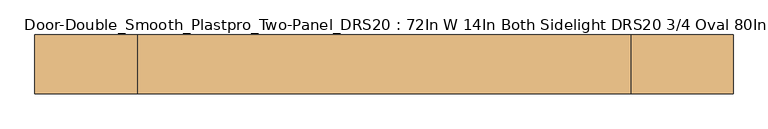
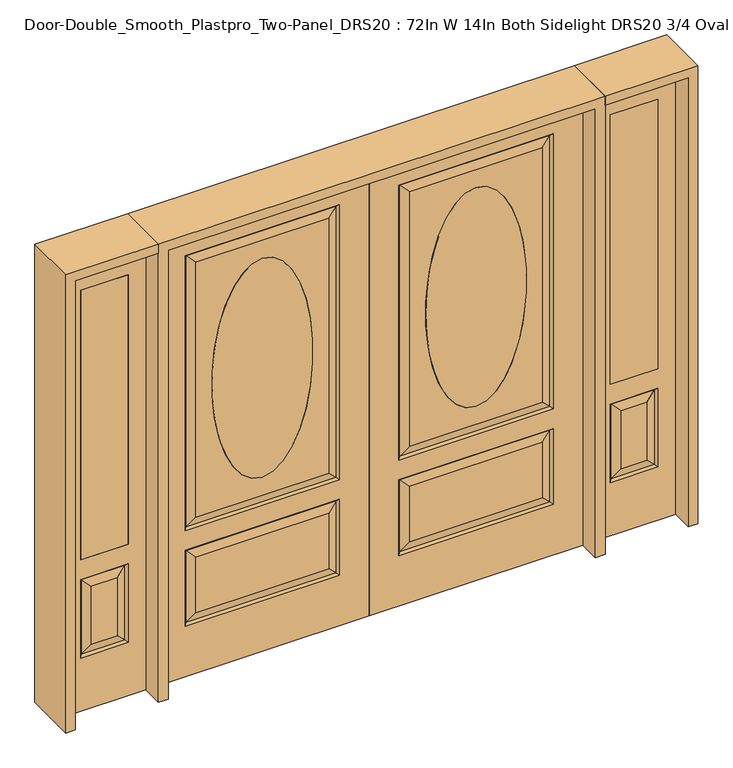
"""IFC4 building model written with IfcOpenShell, lengths in millimetres: door geometry, Door-Double_Smooth_Plastpro_Two-Panel_DRS20 : 72In W 14In Both Sidelight DRS20 3/4 Oval 80In - Smooth."""

from ifc_helpers import new_model, si_unit, point, frame, origin, place, context, project, spatial, polyline, ellipse_curve, trimmed, outline, extrude, faceted_brep, source, transform, mapped, element, save
from ifc_brep_helpers import plane_surface, extruded_surface, advanced_brep


def door_double_smooth_plastpro_two_panel_drs20_72in_w_14in_both_ea20a495(model_context):
    return source(origin(), model_context, "Body", "SolidModel", [
        advanced_brep(
        [(-457.2, 20.6375, 1778.0), (-457.2, 20.6375, 787.4), (-457.2, -20.6375, 1778.0), (-457.2, -20.6375, 787.4)],
        [
            (0, 1, ellipse_curve(frame((-457.2, 20.6375, 1282.7), z_axis=(0.0, 1.0, 0.0), x_axis=(0.0, 0.0, -1.0)), 495.3, 215.9)),
            (1, 0, ellipse_curve(frame((-457.2, 20.6375, 1282.7), z_axis=(0.0, 1.0, 0.0), x_axis=(0.0, 0.0, -1.0)), 495.3, 215.9)),
            (2, 3, ellipse_curve(frame((-457.2, -20.6375, 1282.7), z_axis=(0.0, -1.0, 0.0), x_axis=(0.0, 0.0, -1.0)), 495.3, 215.9)),
            (3, 2, ellipse_curve(frame((-457.2, -20.6375, 1282.7), z_axis=(0.0, -1.0, 0.0), x_axis=(0.0, 0.0, -1.0)), 495.3, 215.9)),
            (3, 1),
            (0, 2),
        ],
        [
            plane_surface(frame((-457.2, 20.6375, 787.4), z_axis=(0.0, 1.0, 0.0), x_axis=(1.0, 0.0, 0.0))),
            plane_surface(frame((-457.2, -20.6375, 787.4), z_axis=(0.0, -1.0, 0.0), x_axis=(-1.0, 0.0, 0.0))),
            extruded_surface(trimmed(ellipse_curve(frame((-457.2, 20.6375, 1282.7), z_axis=(0.0, 1.0, 0.0), x_axis=(0.0, 0.0, -1.0)), 495.3, 215.9), [point((-457.2, 20.6375, 1778.0))], [point((-457.2, 20.6375, 787.4))], True, "CARTESIAN"), (0.0, 41.275000000000006, 0.0), 41.275000000000006),
            extruded_surface(trimmed(ellipse_curve(frame((-457.2, 20.6375, 1282.7), z_axis=(0.0, 1.0, 0.0), x_axis=(0.0, 0.0, -1.0)), 495.3, 215.9), [point((-457.2, 20.6375, 787.4))], [point((-457.2, 20.6375, 1778.0))], True, "CARTESIAN"), (0.0, 41.275000000000006, 0.0), 41.275000000000006),
        ],
        [
            (0, [[1, 2]]),
            (1, [[3, 4]]),
            (2, [[5, -1, 6, -4]]),
            (3, [[-6, -2, -5, -3]]),
        ],
    ),
        advanced_brep(
        [(-127.0, -20.6375, 228.6), (-127.0, -20.6375, 571.5), (-135.9802561, -11.6572439, 562.5197439), (-135.9802561, -11.6572439, 237.5802561), (-778.4197439, -11.6572439, 237.5802561), (-787.4, -20.6375, 228.6), (-914.4, 20.6375, 0.0), (0.0, 20.6375, 0.0), (0.0, -20.6375, 0.0), (-914.4, -20.6375, 0.0), (-914.4, -20.6375, 2032.0), (0.0, -20.6375, 2032.0), (-787.4, -20.6375, 660.4), (-787.4, -20.6375, 1905.0), (-127.0, -20.6375, 1905.0), (-127.0, -20.6375, 660.4), (-787.4, -20.6375, 571.5), (-173.0375, -20.6375, 274.6375), (-173.0375, -20.6375, 525.4625), (-741.3625, -20.6375, 525.4625), (-741.3625, -20.6375, 274.6375), (-173.0375, -20.6375, 706.4375), (-173.0375, -20.6375, 1858.9625), (-741.3625, -20.6375, 1858.9625), (-741.3625, -20.6375, 706.4375), (-457.2, -20.6375, 787.4), (-457.2, -20.6375, 1778.0), (-127.0, 20.6375, 1905.0), (-127.0, 20.6375, 660.4), (-135.9802561, 11.6572439, 669.3802561), (-135.9802561, 11.6572439, 1896.0197439), (-787.4, 20.6375, 660.4), (-778.4197439, 11.6572439, 669.3802561), (-778.4197439, 11.6572439, 1896.0197439), (-787.4, 20.6375, 1905.0), (-741.3625, 20.6375, 1858.9625), (-741.3625, 20.6375, 706.4375), (-173.0375, 20.6375, 706.4375), (-173.0375, 20.6375, 1858.9625), (-778.4197439, 11.6572439, 562.5197439), (-787.4, 20.6375, 571.5), (-127.0, 20.6375, 571.5), (-135.9802561, 11.6572439, 562.5197439), (-741.3625, 20.6375, 525.4625), (-741.3625, 20.6375, 274.6375), (-778.4197439, 11.6572439, 237.5802561), (-135.9802561, 11.6572439, 237.5802561), (-173.0375, 20.6375, 274.6375), (-173.0375, 20.6375, 525.4625), (-457.2, 20.6375, 1778.0), (-457.2, 20.6375, 787.4), (-135.9802561, -11.6572439, 1896.0197439), (-135.9802561, -11.6572439, 669.3802561), (-914.4, 20.6375, 2032.0), (0.0, 20.6375, 2032.0), (-787.4, 20.6375, 228.6), (-127.0, 20.6375, 228.6), (-778.4197439, -11.6572439, 669.3802561), (-778.4197439, -11.6572439, 1896.0197439), (-778.4197439, -11.6572439, 562.5197439)],
        [
            (0, 1),
            (1, 2),
            (2, 3),
            (3, 0),
            (4, 5),
            (5, 0),
            (3, 4),
            (6, 7),
            (7, 8),
            (8, 9),
            (9, 6),
            (10, 9),
            (8, 11),
            (11, 10),
            (12, 13),
            (13, 14),
            (14, 15),
            (15, 12),
            (5, 16),
            (16, 1),
            (17, 18),
            (18, 19),
            (19, 20),
            (20, 17),
            (21, 22),
            (22, 23),
            (23, 24),
            (24, 21),
            (25, 26, ellipse_curve(frame((-457.2, -20.6375, 1282.7), z_axis=(0.0, 1.0, 0.0), x_axis=(0.0, 0.0, -1.0)), 495.3, 215.9)),
            (26, 25, ellipse_curve(frame((-457.2, -20.6375, 1282.7), z_axis=(0.0, 1.0, 0.0), x_axis=(0.0, 0.0, -1.0)), 495.3, 215.9)),
            (27, 28),
            (28, 29),
            (29, 30),
            (30, 27),
            (28, 31),
            (31, 32),
            (32, 29),
            (33, 32),
            (31, 34),
            (34, 33),
            (35, 36),
            (36, 32),
            (33, 35),
            (36, 37),
            (37, 29),
            (37, 38),
            (38, 30),
            (39, 40),
            (40, 41),
            (41, 42),
            (42, 39),
            (43, 44),
            (44, 45),
            (45, 39),
            (39, 43),
            (42, 46),
            (46, 47),
            (47, 48),
            (48, 42),
            (26, 49),
            (49, 50, ellipse_curve(frame((-457.2, 20.6375, 1282.7), z_axis=(0.0, 1.0, 0.0), x_axis=(0.0, 0.0, -1.0)), 495.3, 215.9)),
            (50, 25),
            (14, 51),
            (51, 52),
            (52, 15),
            (51, 22),
            (21, 52),
            (53, 6),
            (10, 53),
            (7, 54),
            (54, 11),
            (53, 54),
            (40, 55),
            (55, 56),
            (56, 41),
            (27, 34),
            (47, 44),
            (43, 48),
            (35, 38),
            (49, 50, ellipse_curve(frame((-457.2, 20.6375, 1282.7), z_axis=(0.0, -1.0, 0.0), x_axis=(0.0, 0.0, -1.0)), 495.3, 215.9)),
            (56, 46),
            (55, 45),
            (45, 46),
            (57, 12),
            (52, 57),
            (57, 58),
            (58, 13),
            (24, 57),
            (23, 58),
            (16, 59),
            (59, 2),
            (4, 59),
            (3, 17),
            (20, 4),
            (19, 59),
            (18, 2),
            (58, 51),
            (30, 33),
        ],
        [
            plane_surface(frame((-127.0, -20.6375, 228.6), z_axis=(-0.7071067811865462, -0.7071067811865489, 0.0), x_axis=(0.0, 0.0, 1.0))),
            plane_surface(frame((-787.4, -20.6375, 228.6), z_axis=(0.0, -0.7071067811865489, 0.7071067811865462), x_axis=(1.0, 0.0, 0.0))),
            plane_surface(frame((0.0, 20.6375, 0.0), z_axis=(0.0, 0.0, -1.0), x_axis=(-1.0, 0.0, 0.0))),
            plane_surface(frame((0.0, -20.6375, 2032.0), z_axis=(0.0, -1.0, 0.0), x_axis=(0.0, 0.0, -1.0))),
            plane_surface(frame((-127.0, 20.6375, 1905.0), z_axis=(-0.7071067811865436, 0.7071067811865516, 0.0), x_axis=(0.0, 0.0, -1.0))),
            plane_surface(frame((-127.0, 20.6375, 660.4), z_axis=(0.0, 0.7071067811865516, 0.7071067811865436), x_axis=(-1.0, 0.0, 0.0))),
            plane_surface(frame((-787.4, 20.6375, 660.4), z_axis=(0.7071067811865436, 0.7071067811865516, 0.0), x_axis=(0.0, 0.0, 1.0))),
            plane_surface(frame((-778.4197439, 11.6572439, 669.3802561), z_axis=(-0.2355178326930706, 0.9718700275672457, 0.0), x_axis=(0.0, 0.0, 1.0))),
            plane_surface(frame((-135.9802561, 11.6572439, 669.3802561), z_axis=(0.0, 0.9718700275672457, -0.2355178326930706), x_axis=(-1.0, 0.0, 0.0))),
            plane_surface(frame((-135.9802561, 11.6572439, 1896.0197439), z_axis=(0.2355178326930706, 0.9718700275672457, 0.0), x_axis=(0.0, 0.0, -1.0))),
            plane_surface(frame((-787.4, 20.6375, 571.5), z_axis=(0.0, 0.7071067811865542, -0.7071067811865409), x_axis=(1.0, 0.0, 0.0))),
            plane_surface(frame((-778.4197439, 11.6572439, 237.5802561), z_axis=(-0.2355178326930706, 0.9718700275672457, 0.0), x_axis=(0.0, 0.0, 1.0))),
            plane_surface(frame((-135.9802561, 11.6572439, 562.5197439), z_axis=(0.2355178326930706, 0.9718700275672457, 0.0), x_axis=(0.0, 0.0, -1.0))),
            extruded_surface(trimmed(ellipse_curve(frame((-457.2, 61.9125, 1282.7), z_axis=(0.0, 1.0, 0.0), x_axis=(0.0, 0.0, -1.0)), 495.3, 215.9), [point((-457.2, 61.9125, 1778.0))], [point((-457.2, 61.9125, 787.4))], True, "CARTESIAN"), (0.0, -41.275000000000006, 0.0), 41.275000000000006),
            plane_surface(frame((-127.0, -20.6375, 660.4), z_axis=(-0.7071067811865486, -0.7071067811865466, 0.0), x_axis=(0.0, 0.0, 1.0))),
            plane_surface(frame((-135.9802561, -11.6572439, 669.3802561), z_axis=(0.23551783269307167, -0.9718700275672454, 0.0), x_axis=(0.0, 0.0, 1.0))),
            plane_surface(frame((-914.4, -20.6375, 2032.0), z_axis=(-1.0, 0.0, 0.0), x_axis=(0.0, 0.0, -1.0))),
            plane_surface(frame((0.0, 20.6375, 2032.0), z_axis=(1.0, 0.0, 0.0), x_axis=(0.0, 0.0, -1.0))),
            plane_surface(frame((-914.4, 20.6375, 2032.0), z_axis=(0.0, 1.0, 0.0), x_axis=(0.0, 0.0, -1.0))),
            plane_surface(frame((-127.0, 20.6375, 571.5), z_axis=(-0.7071067811865409, 0.7071067811865542, 0.0), x_axis=(0.0, 0.0, -1.0))),
            plane_surface(frame((-127.0, 20.6375, 228.6), z_axis=(0.0, 0.7071067811865542, 0.7071067811865409), x_axis=(-1.0, 0.0, 0.0))),
            plane_surface(frame((-787.4, 20.6375, 228.6), z_axis=(0.7071067811865409, 0.7071067811865542, 0.0), x_axis=(0.0, 0.0, 1.0))),
            plane_surface(frame((-778.4197439, 11.6572439, 562.5197439), z_axis=(0.0, 0.9718700275672457, 0.2355178326930706), x_axis=(1.0, 0.0, 0.0))),
            plane_surface(frame((-135.9802561, 11.6572439, 237.5802561), z_axis=(0.0, 0.9718700275672457, -0.2355178326930706), x_axis=(-1.0, 0.0, 0.0))),
            extruded_surface(trimmed(ellipse_curve(frame((-457.2, 61.9125, 1282.7), z_axis=(0.0, 1.0, 0.0), x_axis=(0.0, 0.0, -1.0)), 495.3, 215.9), [point((-457.2, 61.9125, 787.4))], [point((-457.2, 61.9125, 1778.0))], True, "CARTESIAN"), (0.0, -41.275000000000006, 0.0), 41.275000000000006),
            plane_surface(frame((-787.4, -20.6375, 660.4), z_axis=(0.0, -0.7071067811865466, 0.7071067811865486), x_axis=(1.0, 0.0, 0.0))),
            plane_surface(frame((-787.4, -20.6375, 1905.0), z_axis=(0.7071067811865486, -0.7071067811865466, 0.0), x_axis=(0.0, 0.0, -1.0))),
            plane_surface(frame((-778.4197439, -11.6572439, 669.3802561), z_axis=(0.0, -0.9718700275672454, -0.23551783269307167), x_axis=(1.0, 0.0, 0.0))),
            plane_surface(frame((-778.4197439, -11.6572439, 1896.0197439), z_axis=(-0.23551783269307167, -0.9718700275672454, 0.0), x_axis=(0.0, 0.0, -1.0))),
            plane_surface(frame((-127.0, -20.6375, 571.5), z_axis=(0.0, -0.7071067811865489, -0.7071067811865462), x_axis=(-1.0, 0.0, 0.0))),
            plane_surface(frame((-787.4, -20.6375, 571.5), z_axis=(0.7071067811865462, -0.7071067811865489, 0.0), x_axis=(0.0, 0.0, -1.0))),
            plane_surface(frame((-778.4197439, -11.6572439, 237.5802561), z_axis=(0.0, -0.9718700275672454, -0.2355178326930719), x_axis=(1.0, 0.0, 0.0))),
            plane_surface(frame((-778.4197439, -11.6572439, 562.5197439), z_axis=(-0.2355178326930719, -0.9718700275672454, 0.0), x_axis=(0.0, 0.0, -1.0))),
            plane_surface(frame((-135.9802561, -11.6572439, 562.5197439), z_axis=(0.0, -0.9718700275672454, 0.2355178326930719), x_axis=(-1.0, 0.0, 0.0))),
            plane_surface(frame((-135.9802561, -11.6572439, 237.5802561), z_axis=(0.2355178326930719, -0.9718700275672454, 0.0), x_axis=(0.0, 0.0, 1.0))),
            plane_surface(frame((0.0, 20.6375, 2032.0), z_axis=(0.0, 0.0, 1.0), x_axis=(1.0, 0.0, 0.0))),
            plane_surface(frame((-127.0, -20.6375, 1905.0), z_axis=(0.0, -0.7071067811865466, -0.7071067811865486), x_axis=(-1.0, 0.0, 0.0))),
            plane_surface(frame((-135.9802561, -11.6572439, 1896.0197439), z_axis=(0.0, -0.9718700275672454, 0.23551783269307167), x_axis=(-1.0, 0.0, 0.0))),
            plane_surface(frame((-787.4, 20.6375, 1905.0), z_axis=(0.0, 0.7071067811865516, -0.7071067811865436), x_axis=(1.0, 0.0, 0.0))),
            plane_surface(frame((-778.4197439, 11.6572439, 1896.0197439), z_axis=(0.0, 0.9718700275672457, 0.2355178326930706), x_axis=(1.0, 0.0, 0.0))),
        ],
        [
            (0, [[1, 2, 3, 4]]),
            (1, [[5, 6, -4, 7]]),
            (2, [[8, 9, 10, 11]]),
            (3, [[12, -10, 13, 14], [15, 16, 17, 18], [19, 20, -1, -6]]),
            (3, [[21, 22, 23, 24]]),
            (3, [[25, 26, 27, 28], [29, 30]]),
            (4, [[31, 32, 33, 34]]),
            (5, [[35, 36, 37, -32]]),
            (6, [[38, -36, 39, 40]]),
            (7, [[41, 42, -38, 43]]),
            (8, [[-37, -42, 44, 45]]),
            (9, [[-33, -45, 46, 47]]),
            (10, [[48, 49, 50, 51]]),
            (11, [[52, 53, 54, 55]]),
            (12, [[56, 57, 58, 59]]),
            (13, [[-30, 60, 61, 62]]),
            (14, [[-17, 63, 64, 65]]),
            (15, [[-64, 66, -25, 67]]),
            (16, [[68, -11, -12, 69]]),
            (17, [[-13, -9, 70, 71]]),
            (18, [[-70, -8, -68, 72], [73, 74, 75, -49], [-39, -35, -31, 76]]),
            (18, [[-58, 77, -52, 78]]),
            (18, [[-46, -44, -41, 79], [80, -61]]),
            (19, [[-75, 81, -56, -50]]),
            (20, [[-74, 82, 83, -81]]),
            (21, [[-54, -82, -73, -48]]),
            (22, [[-59, -78, -55, -51]]),
            (23, [[-83, -53, -77, -57]]),
            (24, [[-80, -60, -29, -62]]),
            (25, [[84, -18, -65, 85]]),
            (26, [[86, 87, -15, -84]]),
            (27, [[-67, -28, 88, -85]]),
            (28, [[-27, 89, -86, -88]]),
            (29, [[-20, 90, 91, -2]]),
            (30, [[92, -90, -19, -5]]),
            (31, [[93, -24, 94, -7]]),
            (32, [[-23, 95, -92, -94]]),
            (33, [[-91, -95, -22, 96]]),
            (34, [[-3, -96, -21, -93]]),
            (35, [[-69, -14, -71, -72]]),
            (36, [[-16, -87, 97, -63]]),
            (37, [[-97, -89, -26, -66]]),
            (38, [[-40, -76, -34, 98]]),
            (39, [[-47, -79, -43, -98]]),
        ],
    ),
        advanced_brep(
        [(457.2, 20.6375, 1778.0), (457.2, 20.6375, 787.4), (457.2, -20.6375, 1778.0), (457.2, -20.6375, 787.4)],
        [
            (0, 1, ellipse_curve(frame((457.2, 20.6375, 1282.7), z_axis=(0.0, 1.0, 0.0), x_axis=(0.0, 0.0, -1.0)), 495.3, 215.9)),
            (1, 0, ellipse_curve(frame((457.2, 20.6375, 1282.7), z_axis=(0.0, 1.0, 0.0), x_axis=(0.0, 0.0, -1.0)), 495.3, 215.9)),
            (2, 3, ellipse_curve(frame((457.2, -20.6375, 1282.7), z_axis=(0.0, -1.0, 0.0), x_axis=(0.0, 0.0, -1.0)), 495.3, 215.9)),
            (3, 2, ellipse_curve(frame((457.2, -20.6375, 1282.7), z_axis=(0.0, -1.0, 0.0), x_axis=(0.0, 0.0, -1.0)), 495.3, 215.9)),
            (2, 0),
            (1, 3),
        ],
        [
            plane_surface(frame((457.2, 20.6375, 787.4), z_axis=(0.0, 1.0, 0.0), x_axis=(-1.0, 0.0, 0.0))),
            plane_surface(frame((457.2, -20.6375, 787.4), z_axis=(0.0, -1.0, 0.0), x_axis=(1.0, 0.0, 0.0))),
            extruded_surface(trimmed(ellipse_curve(frame((457.2, 61.9125, 1282.7), z_axis=(0.0, -1.0, 0.0), x_axis=(0.0, 0.0, -1.0)), 495.3, 215.9), [point((457.2, 61.9125, 1778.0))], [point((457.2, 61.9125, 787.4))], True, "CARTESIAN"), (0.0, -41.275000000000006, 0.0), 41.275000000000006),
            extruded_surface(trimmed(ellipse_curve(frame((457.2, 61.9125, 1282.7), z_axis=(0.0, -1.0, 0.0), x_axis=(0.0, 0.0, -1.0)), 495.3, 215.9), [point((457.2, 61.9125, 787.4))], [point((457.2, 61.9125, 1778.0))], True, "CARTESIAN"), (0.0, -41.275000000000006, 0.0), 41.275000000000006),
        ],
        [
            (0, [[1, 2]]),
            (1, [[3, 4]]),
            (2, [[-3, 5, -2, 6]]),
            (3, [[-4, -6, -1, -5]]),
        ],
    ),
        advanced_brep(
        [(127.0, -20.6375, 228.6), (135.9802561, -11.6572439, 237.5802561), (135.9802561, -11.6572439, 562.5197439), (127.0, -20.6375, 571.5), (778.4197439, -11.6572439, 237.5802561), (787.4, -20.6375, 228.6), (914.4, 20.6375, 0.0), (914.4, -20.6375, 0.0), (0.0, -20.6375, 0.0), (0.0, 20.6375, 0.0), (173.0375, -20.6375, 706.4375), (741.3625, -20.6375, 706.4375), (741.3625, -20.6375, 1858.9625), (173.0375, -20.6375, 1858.9625), (457.2, -20.6375, 787.4), (457.2, -20.6375, 1778.0), (173.0375, -20.6375, 274.6375), (741.3625, -20.6375, 274.6375), (741.3625, -20.6375, 525.4625), (173.0375, -20.6375, 525.4625), (914.4, -20.6375, 2032.0), (0.0, -20.6375, 2032.0), (787.4, -20.6375, 660.4), (127.0, -20.6375, 660.4), (127.0, -20.6375, 1905.0), (787.4, -20.6375, 1905.0), (787.4, -20.6375, 571.5), (127.0, 20.6375, 1905.0), (135.9802561, 11.6572439, 1896.0197439), (135.9802561, 11.6572439, 669.3802561), (127.0, 20.6375, 660.4), (778.4197439, 11.6572439, 669.3802561), (787.4, 20.6375, 660.4), (778.4197439, 11.6572439, 1896.0197439), (787.4, 20.6375, 1905.0), (741.3625, 20.6375, 1858.9625), (741.3625, 20.6375, 706.4375), (173.0375, 20.6375, 706.4375), (173.0375, 20.6375, 1858.9625), (778.4197439, 11.6572439, 562.5197439), (135.9802561, 11.6572439, 562.5197439), (127.0, 20.6375, 571.5), (787.4, 20.6375, 571.5), (741.3625, 20.6375, 525.4625), (778.4197439, 11.6572439, 237.5802561), (741.3625, 20.6375, 274.6375), (173.0375, 20.6375, 525.4625), (173.0375, 20.6375, 274.6375), (135.9802561, 11.6572439, 237.5802561), (457.2, 20.6375, 787.4), (457.2, 20.6375, 1778.0), (135.9802561, -11.6572439, 669.3802561), (135.9802561, -11.6572439, 1896.0197439), (914.4, 20.6375, 2032.0), (0.0, 20.6375, 2032.0), (127.0, 20.6375, 228.6), (787.4, 20.6375, 228.6), (778.4197439, -11.6572439, 669.3802561), (778.4197439, -11.6572439, 1896.0197439), (778.4197439, -11.6572439, 562.5197439)],
        [
            (0, 1),
            (1, 2),
            (2, 3),
            (3, 0),
            (4, 1),
            (0, 5),
            (5, 4),
            (6, 7),
            (7, 8),
            (8, 9),
            (9, 6),
            (10, 11),
            (11, 12),
            (12, 13),
            (13, 10),
            (14, 15, ellipse_curve(frame((457.2, -20.6375, 1282.7), z_axis=(0.0, 1.0, 0.0), x_axis=(0.0, 0.0, -1.0)), 495.3, 215.9)),
            (15, 14, ellipse_curve(frame((457.2, -20.6375, 1282.7), z_axis=(0.0, 1.0, 0.0), x_axis=(0.0, 0.0, -1.0)), 495.3, 215.9)),
            (16, 17),
            (17, 18),
            (18, 19),
            (19, 16),
            (20, 21),
            (21, 8),
            (7, 20),
            (22, 23),
            (23, 24),
            (24, 25),
            (25, 22),
            (3, 26),
            (26, 5),
            (27, 28),
            (28, 29),
            (29, 30),
            (30, 27),
            (29, 31),
            (31, 32),
            (32, 30),
            (33, 34),
            (34, 32),
            (31, 33),
            (35, 33),
            (31, 36),
            (36, 35),
            (29, 37),
            (37, 36),
            (28, 38),
            (38, 37),
            (39, 40),
            (40, 41),
            (41, 42),
            (42, 39),
            (43, 39),
            (39, 44),
            (44, 45),
            (45, 43),
            (40, 46),
            (46, 47),
            (47, 48),
            (48, 40),
            (14, 49),
            (49, 50, ellipse_curve(frame((457.2, 20.6375, 1282.7), z_axis=(0.0, 1.0, 0.0), x_axis=(0.0, 0.0, -1.0)), 495.3, 215.9)),
            (50, 15),
            (23, 51),
            (51, 52),
            (52, 24),
            (51, 10),
            (13, 52),
            (53, 20),
            (6, 53),
            (21, 54),
            (54, 9),
            (46, 43),
            (45, 47),
            (38, 35),
            (49, 50, ellipse_curve(frame((457.2, 20.6375, 1282.7), z_axis=(0.0, -1.0, 0.0), x_axis=(0.0, 0.0, -1.0)), 495.3, 215.9)),
            (54, 53),
            (41, 55),
            (55, 56),
            (56, 42),
            (34, 27),
            (48, 55),
            (48, 44),
            (44, 56),
            (57, 51),
            (22, 57),
            (25, 58),
            (58, 57),
            (57, 11),
            (58, 12),
            (2, 59),
            (59, 26),
            (59, 4),
            (4, 17),
            (16, 1),
            (59, 18),
            (2, 19),
            (52, 58),
            (33, 28),
        ],
        [
            plane_surface(frame((127.0, -20.6375, 228.6), z_axis=(0.7071067811865462, -0.7071067811865489, 0.0), x_axis=(0.0, 0.0, 1.0))),
            plane_surface(frame((787.4, -20.6375, 228.6), z_axis=(0.0, -0.7071067811865489, 0.7071067811865462), x_axis=(-1.0, 0.0, 0.0))),
            plane_surface(frame((0.0, 20.6375, 0.0), z_axis=(0.0, 0.0, -1.0), x_axis=(1.0, 0.0, 0.0))),
            plane_surface(frame((0.0, -20.6375, 2032.0), z_axis=(0.0, -1.0, 0.0), x_axis=(0.0, 0.0, -1.0))),
            plane_surface(frame((127.0, 20.6375, 1905.0), z_axis=(0.7071067811865436, 0.7071067811865516, 0.0), x_axis=(0.0, 0.0, -1.0))),
            plane_surface(frame((127.0, 20.6375, 660.4), z_axis=(0.0, 0.7071067811865516, 0.7071067811865436), x_axis=(1.0, 0.0, 0.0))),
            plane_surface(frame((787.4, 20.6375, 660.4), z_axis=(-0.7071067811865436, 0.7071067811865516, 0.0), x_axis=(0.0, 0.0, 1.0))),
            plane_surface(frame((778.4197439, 11.6572439, 669.3802561), z_axis=(0.2355178326930706, 0.9718700275672457, 0.0), x_axis=(0.0, 0.0, 1.0))),
            plane_surface(frame((135.9802561, 11.6572439, 669.3802561), z_axis=(0.0, 0.9718700275672457, -0.2355178326930706), x_axis=(1.0, 0.0, 0.0))),
            plane_surface(frame((135.9802561, 11.6572439, 1896.0197439), z_axis=(-0.2355178326930706, 0.9718700275672457, 0.0), x_axis=(0.0, 0.0, -1.0))),
            plane_surface(frame((787.4, 20.6375, 571.5), z_axis=(0.0, 0.7071067811865542, -0.7071067811865409), x_axis=(-1.0, 0.0, 0.0))),
            plane_surface(frame((778.4197439, 11.6572439, 237.5802561), z_axis=(0.2355178326930706, 0.9718700275672457, 0.0), x_axis=(0.0, 0.0, 1.0))),
            plane_surface(frame((135.9802561, 11.6572439, 562.5197439), z_axis=(-0.2355178326930706, 0.9718700275672457, 0.0), x_axis=(0.0, 0.0, -1.0))),
            extruded_surface(trimmed(ellipse_curve(frame((457.2, 20.6375, 1282.7), z_axis=(0.0, -1.0, 0.0), x_axis=(0.0, 0.0, -1.0)), 495.3, 215.9), [point((457.2, 20.6375, 1778.0))], [point((457.2, 20.6375, 787.4))], True, "CARTESIAN"), (0.0, 41.275000000000006, 0.0), 41.275000000000006),
            plane_surface(frame((127.0, -20.6375, 660.4), z_axis=(0.7071067811865486, -0.7071067811865466, 0.0), x_axis=(0.0, 0.0, 1.0))),
            plane_surface(frame((135.9802561, -11.6572439, 669.3802561), z_axis=(-0.23551783269307167, -0.9718700275672454, 0.0), x_axis=(0.0, 0.0, 1.0))),
            plane_surface(frame((914.4, -20.6375, 2032.0), z_axis=(1.0, 0.0, 0.0), x_axis=(0.0, 0.0, -1.0))),
            plane_surface(frame((0.0, 20.6375, 2032.0), z_axis=(-1.0, 0.0, 0.0), x_axis=(0.0, 0.0, -1.0))),
            plane_surface(frame((914.4, 20.6375, 2032.0), z_axis=(0.0, 1.0, 0.0), x_axis=(0.0, 0.0, -1.0))),
            plane_surface(frame((127.0, 20.6375, 571.5), z_axis=(0.7071067811865409, 0.7071067811865542, 0.0), x_axis=(0.0, 0.0, -1.0))),
            plane_surface(frame((127.0, 20.6375, 228.6), z_axis=(0.0, 0.7071067811865542, 0.7071067811865409), x_axis=(1.0, 0.0, 0.0))),
            plane_surface(frame((787.4, 20.6375, 228.6), z_axis=(-0.7071067811865409, 0.7071067811865542, 0.0), x_axis=(0.0, 0.0, 1.0))),
            plane_surface(frame((778.4197439, 11.6572439, 562.5197439), z_axis=(0.0, 0.9718700275672457, 0.2355178326930706), x_axis=(-1.0, 0.0, 0.0))),
            plane_surface(frame((135.9802561, 11.6572439, 237.5802561), z_axis=(0.0, 0.9718700275672457, -0.2355178326930706), x_axis=(1.0, 0.0, 0.0))),
            extruded_surface(trimmed(ellipse_curve(frame((457.2, 20.6375, 1282.7), z_axis=(0.0, -1.0, 0.0), x_axis=(0.0, 0.0, -1.0)), 495.3, 215.9), [point((457.2, 20.6375, 787.4))], [point((457.2, 20.6375, 1778.0))], True, "CARTESIAN"), (0.0, 41.275000000000006, 0.0), 41.275000000000006),
            plane_surface(frame((787.4, -20.6375, 660.4), z_axis=(0.0, -0.7071067811865466, 0.7071067811865486), x_axis=(-1.0, 0.0, 0.0))),
            plane_surface(frame((787.4, -20.6375, 1905.0), z_axis=(-0.7071067811865486, -0.7071067811865466, 0.0), x_axis=(0.0, 0.0, -1.0))),
            plane_surface(frame((778.4197439, -11.6572439, 669.3802561), z_axis=(0.0, -0.9718700275672454, -0.23551783269307167), x_axis=(-1.0, 0.0, 0.0))),
            plane_surface(frame((778.4197439, -11.6572439, 1896.0197439), z_axis=(0.23551783269307167, -0.9718700275672454, 0.0), x_axis=(0.0, 0.0, -1.0))),
            plane_surface(frame((127.0, -20.6375, 571.5), z_axis=(0.0, -0.7071067811865489, -0.7071067811865462), x_axis=(1.0, 0.0, 0.0))),
            plane_surface(frame((787.4, -20.6375, 571.5), z_axis=(-0.7071067811865462, -0.7071067811865489, 0.0), x_axis=(0.0, 0.0, -1.0))),
            plane_surface(frame((778.4197439, -11.6572439, 237.5802561), z_axis=(0.0, -0.9718700275672454, -0.2355178326930719), x_axis=(-1.0, 0.0, 0.0))),
            plane_surface(frame((778.4197439, -11.6572439, 562.5197439), z_axis=(0.2355178326930719, -0.9718700275672454, 0.0), x_axis=(0.0, 0.0, -1.0))),
            plane_surface(frame((135.9802561, -11.6572439, 562.5197439), z_axis=(0.0, -0.9718700275672454, 0.2355178326930719), x_axis=(1.0, 0.0, 0.0))),
            plane_surface(frame((135.9802561, -11.6572439, 237.5802561), z_axis=(-0.2355178326930719, -0.9718700275672454, 0.0), x_axis=(0.0, 0.0, 1.0))),
            plane_surface(frame((0.0, 20.6375, 2032.0), z_axis=(0.0, 0.0, 1.0), x_axis=(-1.0, 0.0, 0.0))),
            plane_surface(frame((127.0, -20.6375, 1905.0), z_axis=(0.0, -0.7071067811865466, -0.7071067811865486), x_axis=(1.0, 0.0, 0.0))),
            plane_surface(frame((135.9802561, -11.6572439, 1896.0197439), z_axis=(0.0, -0.9718700275672454, 0.23551783269307167), x_axis=(1.0, 0.0, 0.0))),
            plane_surface(frame((787.4, 20.6375, 1905.0), z_axis=(0.0, 0.7071067811865516, -0.7071067811865436), x_axis=(-1.0, 0.0, 0.0))),
            plane_surface(frame((778.4197439, 11.6572439, 1896.0197439), z_axis=(0.0, 0.9718700275672457, 0.2355178326930706), x_axis=(-1.0, 0.0, 0.0))),
        ],
        [
            (0, [[1, 2, 3, 4]]),
            (1, [[5, -1, 6, 7]]),
            (2, [[8, 9, 10, 11]]),
            (3, [[12, 13, 14, 15], [16, 17]]),
            (3, [[18, 19, 20, 21]]),
            (3, [[22, 23, -9, 24], [25, 26, 27, 28], [-6, -4, 29, 30]]),
            (4, [[31, 32, 33, 34]]),
            (5, [[-33, 35, 36, 37]]),
            (6, [[38, 39, -36, 40]]),
            (7, [[41, -40, 42, 43]]),
            (8, [[44, 45, -42, -35]]),
            (9, [[46, 47, -44, -32]]),
            (10, [[48, 49, 50, 51]]),
            (11, [[52, 53, 54, 55]]),
            (12, [[56, 57, 58, 59]]),
            (13, [[60, 61, 62, -16]]),
            (14, [[63, 64, 65, -26]]),
            (15, [[66, -15, 67, -64]]),
            (16, [[68, -24, -8, 69]]),
            (17, [[70, 71, -10, -23]]),
            (18, [[72, -55, 73, -57]]),
            (18, [[74, -43, -45, -47], [-61, 75]]),
            (18, [[76, -69, -11, -71], [-50, 77, 78, 79], [80, -34, -37, -39]]),
            (19, [[-49, -59, 81, -77]]),
            (20, [[-81, 82, 83, -78]]),
            (21, [[-51, -79, -83, -53]]),
            (22, [[-48, -52, -72, -56]]),
            (23, [[-58, -73, -54, -82]]),
            (24, [[-60, -17, -62, -75]]),
            (25, [[84, -63, -25, 85]]),
            (26, [[-85, -28, 86, 87]]),
            (27, [[-84, 88, -12, -66]]),
            (28, [[-88, -87, 89, -13]]),
            (29, [[-3, 90, 91, -29]]),
            (30, [[-7, -30, -91, 92]]),
            (31, [[-5, 93, -18, 94]]),
            (32, [[-93, -92, 95, -19]]),
            (33, [[96, -20, -95, -90]]),
            (34, [[-94, -21, -96, -2]]),
            (35, [[-76, -70, -22, -68]]),
            (36, [[-65, 97, -86, -27]]),
            (37, [[-67, -14, -89, -97]]),
            (38, [[98, -31, -80, -38]]),
            (39, [[-98, -41, -74, -46]]),
        ],
    ),
        extrude(outline(polyline([(1031.875, -20.6375), (1031.875, 20.6375), (1235.075, 20.6375), (1235.075, -20.6375), (1031.875, -20.6375)])), frame((0.0, 0.0, 685.8), z_axis=(0.0, 0.0, 1.0), x_axis=(1.0, 0.0, 0.0)), (0.0, 0.0, 1.0), 1219.2),
        faceted_brep([(1311.275, -20.6375, 0.0), (1311.275, -20.6375, 2032.0), (955.675, -20.6375, 2032.0), (955.675, -20.6375, 0.0), (1031.875, -20.6375, 685.8), (1031.875, -20.6375, 1905.0), (1235.075, -20.6375, 1905.0), (1235.075, -20.6375, 685.8), (1031.875, -20.6375, 241.3), (1031.875, -20.6375, 596.9), (1235.075, -20.6375, 596.9), (1235.075, -20.6375, 241.3), (1189.0375, -20.6375, 287.3375), (1189.0375, -20.6375, 550.8625), (1077.9125, -20.6375, 550.8625), (1077.9125, -20.6375, 287.3375), (955.675, 20.6375, 0.0), (1311.275, 20.6375, 0.0), (955.675, 20.6375, 2032.0), (1311.275, 20.6375, 2032.0), (1040.8552561, -11.6572439, 250.2802561), (1226.0947439, -11.6572439, 250.2802561), (1226.0947439, -11.6572439, 587.9197439), (1040.8552561, -11.6572439, 587.9197439), (1235.075, 20.6375, 685.8), (1031.875, 20.6375, 685.8), (1235.075, 20.6375, 1905.0), (1031.875, 20.6375, 1905.0), (1235.075, 20.6375, 241.3), (1235.075, 20.6375, 596.9), (1031.875, 20.6375, 596.9), (1031.875, 20.6375, 241.3), (1077.9125, 20.6375, 287.3375), (1077.9125, 20.6375, 550.8625), (1189.0375, 20.6375, 550.8625), (1189.0375, 20.6375, 287.3375), (1040.8552561, 11.6572439, 250.2802561), (1226.0947439, 11.6572439, 250.2802561), (1040.8552561, 11.6572439, 587.9197439), (1226.0947439, 11.6572439, 587.9197439)], [[[0, 1, 2, 3], [4, 5, 6, 7], [8, 9, 10, 11]], [[12, 13, 14, 15]], [[3, 16, 17, 0]], [[2, 18, 16, 3]], [[0, 17, 19, 1]], [[20, 8, 11, 21]], [[11, 10, 22, 21]], [[10, 9, 23, 22]], [[20, 23, 9, 8]], [[21, 12, 15, 20]], [[15, 14, 23, 20]], [[22, 23, 14, 13]], [[21, 22, 13, 12]], [[4, 7, 24, 25]], [[7, 6, 26, 24]], [[25, 27, 5, 4]], [[17, 16, 18, 19], [24, 26, 27, 25], [28, 29, 30, 31]], [[32, 33, 34, 35]], [[28, 31, 36, 37]], [[31, 30, 38, 36]], [[39, 38, 30, 29]], [[37, 39, 29, 28]], [[36, 32, 35, 37]], [[35, 34, 39, 37]], [[34, 33, 38, 39]], [[36, 38, 33, 32]], [[1, 19, 18, 2]], [[27, 26, 6, 5]]]),
        extrude(outline(polyline([(-1031.875, -20.6375), (-1235.075, -20.6375), (-1235.075, 20.6375), (-1031.875, 20.6375), (-1031.875, -20.6375)])), frame((0.0, 0.0, 685.8), z_axis=(0.0, 0.0, 1.0), x_axis=(1.0, 0.0, 0.0)), (0.0, 0.0, 1.0), 1219.2),
        faceted_brep([(-1311.275, -20.6375, 0.0), (-955.675, -20.6375, 0.0), (-955.675, -20.6375, 2032.0), (-1311.275, -20.6375, 2032.0), (-1031.875, -20.6375, 685.8), (-1235.075, -20.6375, 685.8), (-1235.075, -20.6375, 1905.0), (-1031.875, -20.6375, 1905.0), (-1031.875, -20.6375, 241.3), (-1235.075, -20.6375, 241.3), (-1235.075, -20.6375, 596.9), (-1031.875, -20.6375, 596.9), (-1189.0375, -20.6375, 287.3375), (-1077.9125, -20.6375, 287.3375), (-1077.9125, -20.6375, 550.8625), (-1189.0375, -20.6375, 550.8625), (-1311.275, 20.6375, 0.0), (-955.675, 20.6375, 0.0), (-955.675, 20.6375, 2032.0), (-1311.275, 20.6375, 2032.0), (-1040.8552561, -11.6572439, 250.2802561), (-1226.0947439, -11.6572439, 250.2802561), (-1226.0947439, -11.6572439, 587.9197439), (-1040.8552561, -11.6572439, 587.9197439), (-1031.875, 20.6375, 685.8), (-1235.075, 20.6375, 685.8), (-1235.075, 20.6375, 1905.0), (-1031.875, 20.6375, 1905.0), (-1235.075, 20.6375, 241.3), (-1031.875, 20.6375, 241.3), (-1031.875, 20.6375, 596.9), (-1235.075, 20.6375, 596.9), (-1077.9125, 20.6375, 287.3375), (-1189.0375, 20.6375, 287.3375), (-1189.0375, 20.6375, 550.8625), (-1077.9125, 20.6375, 550.8625), (-1226.0947439, 11.6572439, 250.2802561), (-1040.8552561, 11.6572439, 250.2802561), (-1040.8552561, 11.6572439, 587.9197439), (-1226.0947439, 11.6572439, 587.9197439)], [[[0, 1, 2, 3], [4, 5, 6, 7], [8, 9, 10, 11]], [[12, 13, 14, 15]], [[1, 0, 16, 17]], [[2, 1, 17, 18]], [[0, 3, 19, 16]], [[20, 21, 9, 8]], [[9, 21, 22, 10]], [[10, 22, 23, 11]], [[20, 8, 11, 23]], [[21, 20, 13, 12]], [[13, 20, 23, 14]], [[22, 15, 14, 23]], [[21, 12, 15, 22]], [[4, 24, 25, 5]], [[5, 25, 26, 6]], [[24, 4, 7, 27]], [[16, 19, 18, 17], [25, 24, 27, 26], [28, 29, 30, 31]], [[32, 33, 34, 35]], [[28, 36, 37, 29]], [[29, 37, 38, 30]], [[39, 31, 30, 38]], [[36, 28, 31, 39]], [[37, 36, 33, 32]], [[33, 36, 39, 34]], [[34, 39, 38, 35]], [[37, 32, 35, 38]], [[3, 2, 18, 19]], [[27, 7, 6, 26]]]),
        extrude(outline(polyline([(2032.0, -955.675), (2073.275, -955.675), (2073.275, -1352.55), (0.0, -1352.55), (0.0, -1311.275), (2032.0, -1311.275), (2032.0, -955.675)])), frame((0.0, -114.3, 0.0), z_axis=(0.0, 1.0, 0.0), x_axis=(0.0, 0.0, 1.0)), (0.0, 0.0, 1.0), 228.6),
        extrude(outline(polyline([(2073.275, -955.675), (0.0, -955.675), (0.0, -914.4), (2032.0, -914.4), (2032.0, 914.4), (0.0, 914.4), (0.0, 955.675), (2073.275, 955.675), (2073.275, -955.675)])), frame((0.0, -114.3, 0.0), z_axis=(0.0, 1.0, 0.0), x_axis=(0.0, 0.0, 1.0)), (0.0, 0.0, 1.0), 228.6),
        extrude(outline(polyline([(0.0, 1311.275), (0.0, 1352.55), (2073.275, 1352.55), (2073.275, 955.675), (2032.0, 955.675), (2032.0, 1311.275), (0.0, 1311.275)])), frame((0.0, -114.3, 0.0), z_axis=(0.0, 1.0, 0.0), x_axis=(0.0, 0.0, 1.0)), (0.0, 0.0, 1.0), 228.6),
    ])


if __name__ == "__main__":
    model = new_model("IFC4")
    model_context = context("Model", 3, world=origin())
    ifc_project = project(units=[si_unit("LENGTHUNIT", "METRE", prefix="MILLI")], contexts=[model_context])
    site = spatial("IfcSite", under=ifc_project)
    building = spatial("IfcBuilding", under=site)
    placement = place(None, origin())
    door_double_smooth_plastpro_two_panel_drs20_72in_w_14in_both_shape = door_double_smooth_plastpro_two_panel_drs20_72in_w_14in_both_ea20a495(model_context)
    element("IfcDoor", 1, ObjectType="Door-Double_Smooth_Plastpro_Two-Panel_DRS20 : 72In W 14In Both Sidelight DRS20 3/4 Oval 80In - Smooth", at=placement, inside=building, context=model_context, shape_type="MappedRepresentation", body=[
        mapped(door_double_smooth_plastpro_two_panel_drs20_72in_w_14in_both_shape, transform((0.0, 0.0, 0.0), x_axis=(1.0, 0.0, 0.0), y_axis=(0.0, 1.0, 0.0), z_axis=(0.0, 0.0, 1.0))),
    ])
    save(model, "model.ifc")
